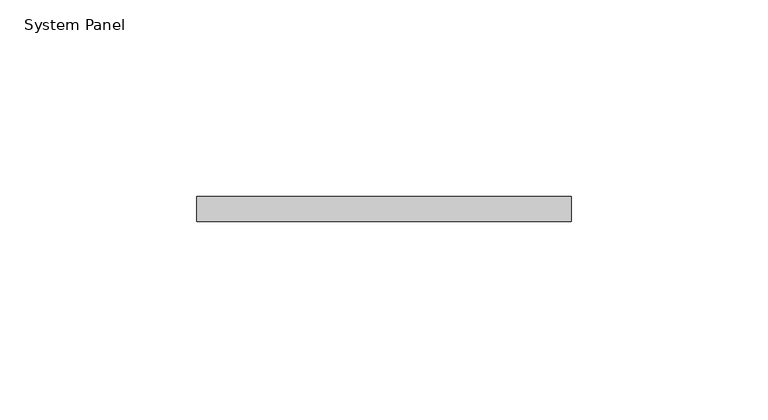
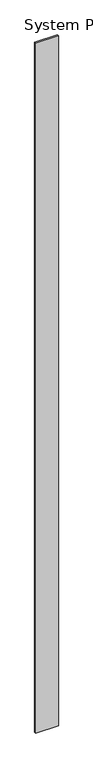
"""IFC4 building model written with IfcOpenShell, lengths in millimetres: plate geometry, System Panel."""

from ifc_helpers import new_model, si_unit, origin, origin_with_axes, place, context, project, spatial, polyline, outline, extrude, source, transform, mapped, element, save


def system_panel_0c842600(model_context):
    return source(origin(), model_context, "Body", "SweptSolid", [
        extrude(outline(polyline([(47.625, 0.0), (-47.625, 0.0), (-47.625, 6.35), (47.625, 6.35), (47.625, 0.0)])), origin_with_axes(), (0.0, 0.0, 1.0), 3048.0),
    ])


if __name__ == "__main__":
    model = new_model("IFC4")
    model_context = context("Model", 3, world=origin())
    ifc_project = project(units=[si_unit("LENGTHUNIT", "METRE", prefix="MILLI")], contexts=[model_context])
    site = spatial("IfcSite", under=ifc_project)
    building = spatial("IfcBuilding", under=site)
    placement = place(None, origin())
    system_panel_shape = system_panel_0c842600(model_context)
    element("IfcPlate", 1, ObjectType="System Panel", at=placement, inside=building, context=model_context, shape_type="MappedRepresentation", body=[
        mapped(system_panel_shape, transform((0.0, 0.0, 0.0), x_axis=(1.0, 0.0, 0.0), y_axis=(0.0, 1.0, 0.0), z_axis=(0.0, 0.0, 1.0))),
    ])
    save(model, "model.ifc")
